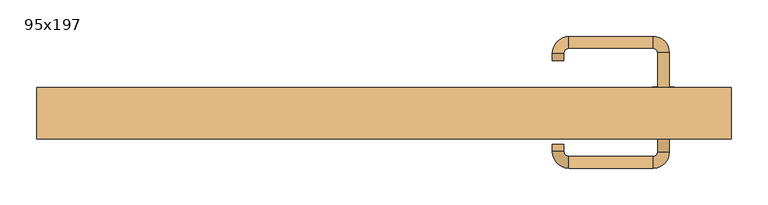
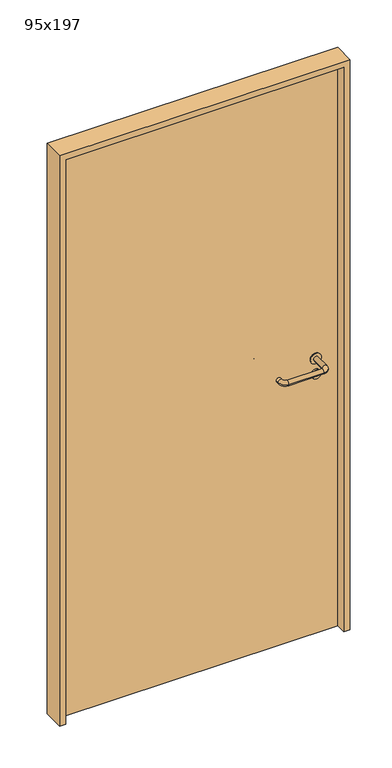
"""IFC4 building model written with IfcOpenShell, lengths in millimetres: door geometry, 95x197."""

import ifcopenshell
import ifcopenshell.guid

model = None  # the IFC model being written
_history = None  # IfcOwnerHistory: only IFC2X3 demands one
_inside = {}  # id of a spatial element -> (the spatial element, [elements in it])
_under = {}  # id of a project, library or spatial element -> (it, [spatial elements below it])
_declared = {}  # id of a project -> (the project, [libraries it declares])
_typed = {}  # id of a type object -> (the type object, [elements of that type])
_made_of = {}  # id of a material, layer set ... -> (it, [elements and type objects made of it])


def new_model(schema):
    """Start an empty IFC model of exactly this schema.

    Asked for "IFC4X3", IfcOpenShell would pick the latest addendum, in which some entities
    have other attributes; the version numbers below select the first issue.
    IFC2X3 requires an IfcOwnerHistory on every rooted entity: one is made here for all.
    """
    global model, _history
    if schema == "IFC4X3":
        model = ifcopenshell.file(schema_version=(4, 3, 0, 0))
    else:
        model = ifcopenshell.file(schema=schema)
    _inside.clear()
    _under.clear()
    _declared.clear()
    _typed.clear()
    _made_of.clear()
    _history = None
    if model.schema == "IFC2X3":
        org = make("IfcOrganization", Name="unknown")
        user = make(
            "IfcPersonAndOrganization",
            ThePerson=make("IfcPerson", FamilyName="unknown"),
            TheOrganization=org,
        )
        app = make(
            "IfcApplication",
            ApplicationDeveloper=org,
            Version="unknown",
            ApplicationFullName="unknown",
            ApplicationIdentifier="unknown",
        )
        _history = make(
            "IfcOwnerHistory",
            OwningUser=user,
            OwningApplication=app,
            ChangeAction="ADDED",
            CreationDate=0,
        )
    return model


def make(cls, **values):
    """One entity of the class cls with the attributes given. An attribute that is None is left unset."""
    return model.create_entity(
        cls, **{name: value for name, value in values.items() if value is not None}
    )


def rooted(cls, **values):
    """An entity with a GlobalId (a new one), such as an element, a storey or a relation."""
    return make(cls, GlobalId=ifcopenshell.guid.new(), OwnerHistory=_history, **values)


def si_unit(unit_type, name, prefix=None):
    """IfcSIUnit, for example si_unit("LENGTHUNIT", "METRE", prefix="MILLI")."""
    return make("IfcSIUnit", UnitType=unit_type, Prefix=prefix, Name=name)


def assignment(units):
    """IfcUnitAssignment: the units of a project."""
    return None if units is None else make("IfcUnitAssignment", Units=units)


def point(xyz):
    """IfcCartesianPoint."""
    return None if xyz is None else make("IfcCartesianPoint", Coordinates=xyz)


def direction(xyz):
    """IfcDirection."""
    return None if xyz is None else make("IfcDirection", DirectionRatios=xyz)


def frame(location, z_axis=None, x_axis=None):
    """IfcAxis2Placement3D, a coordinate frame: its origin and axes. An axis left out is left unset."""
    return make(
        "IfcAxis2Placement3D",
        Location=point(location),
        Axis=direction(z_axis),
        RefDirection=direction(x_axis),
    )


def frame_2d(location, x_axis=None):
    """IfcAxis2Placement2D, a coordinate frame in the plane: its origin and x axis."""
    return make(
        "IfcAxis2Placement2D", Location=point(location), RefDirection=direction(x_axis)
    )


def origin():
    """The frame at (0, 0, 0) with its axes left unset."""
    return frame((0.0, 0.0, 0.0))


def origin_with_axes():
    """The frame at (0, 0, 0) with the z axis (0, 0, 1) and the x axis (1, 0, 0) written out."""
    return frame((0.0, 0.0, 0.0), z_axis=(0.0, 0.0, 1.0), x_axis=(1.0, 0.0, 0.0))


def place(relative_to, where):
    """IfcLocalPlacement: puts the frame where relative to a parent placement (None: the world)."""
    return make(
        "IfcLocalPlacement", PlacementRelTo=relative_to, RelativePlacement=where
    )


def context(
    kind, dimensions, precision=None, world=None, true_north=None, identifier=None
):
    """IfcGeometricRepresentationContext, for example the 3D "Model" context."""
    return make(
        "IfcGeometricRepresentationContext",
        ContextIdentifier=identifier,
        ContextType=kind,
        CoordinateSpaceDimension=dimensions,
        Precision=precision,
        WorldCoordinateSystem=world,
        TrueNorth=true_north,
    )


def project(units=None, contexts=None):
    """IfcProject with its units and contexts."""
    return rooted(
        "IfcProject",
        Name="project",
        RepresentationContexts=contexts,
        UnitsInContext=assignment(units),
    )


def spatial(cls, under=None, at=None, **own):
    """A site, building, storey or space (cls), placed at a placement, below another one or the project."""
    s = rooted(cls, ObjectPlacement=at, **own)
    if under is not None:
        _under.setdefault(under.id(), (under, []))[1].append(s)
    return s


def polyline(points):
    """IfcPolyline through the points."""
    return make("IfcPolyline", Points=[point(p) for p in points])


def circle_curve(where, radius):
    """IfcCircle in the frame where."""
    return make("IfcCircle", Position=where, Radius=radius)


def ellipse_curve(where, semi_axis1, semi_axis2):
    """IfcEllipse in the frame where."""
    return make(
        "IfcEllipse", Position=where, SemiAxis1=semi_axis1, SemiAxis2=semi_axis2
    )


def trimmed(basis, trim1, trim2, sense, master):
    """IfcTrimmedCurve: the piece of a basis curve between two trims."""
    return make(
        "IfcTrimmedCurve",
        BasisCurve=basis,
        Trim1=trim1,
        Trim2=trim2,
        SenseAgreement=sense,
        MasterRepresentation=master,
    )


def segment(curve, same_sense, transition):
    """IfcCompositeCurveSegment."""
    return make(
        "IfcCompositeCurveSegment",
        Transition=transition,
        SameSense=same_sense,
        ParentCurve=curve,
    )


def composite_curve(segments, self_intersect=None):
    """IfcCompositeCurve: segments joined end to end."""
    return make("IfcCompositeCurve", Segments=segments, SelfIntersect=self_intersect)


def outline(outer, holes=None, kind="AREA"):
    """IfcArbitraryClosedProfileDef: a profile drawn as a closed curve; with holes, ...WithVoids."""
    if holes is None:
        return make("IfcArbitraryClosedProfileDef", ProfileType=kind, OuterCurve=outer)
    return make(
        "IfcArbitraryProfileDefWithVoids",
        ProfileType=kind,
        OuterCurve=outer,
        InnerCurves=holes,
    )


def extrude(swept, where, along, depth):
    """IfcExtrudedAreaSolid: the profile swept, set in the frame where, extruded along a direction by depth."""
    return make(
        "IfcExtrudedAreaSolid",
        SweptArea=swept,
        Position=where,
        ExtrudedDirection=direction(along),
        Depth=depth,
    )


def shape(context_of_items, identifier, shape_type, items):
    """IfcShapeRepresentation: the items that make up one representation, for example the "Body"."""
    return make(
        "IfcShapeRepresentation",
        ContextOfItems=context_of_items,
        RepresentationIdentifier=identifier,
        RepresentationType=shape_type,
        Items=items,
    )


def source(mapping_origin, context_of_items, identifier, shape_type, items):
    """IfcRepresentationMap: a shape defined once, which mapped items show again and again."""
    return make(
        "IfcRepresentationMap",
        MappingOrigin=mapping_origin,
        MappedRepresentation=shape(context_of_items, identifier, shape_type, items),
    )


def transform(
    local_origin,
    x_axis=None,
    y_axis=None,
    z_axis=None,
    scale=None,
    scale2=None,
    scale3=None,
    uniform=True,
):
    """IfcCartesianTransformationOperator3D, or its non-uniform kind. x_axis, y_axis, z_axis: its Axis1, 2, 3."""
    if uniform:
        return make(
            "IfcCartesianTransformationOperator3D",
            Axis1=direction(x_axis),
            Axis2=direction(y_axis),
            LocalOrigin=point(local_origin),
            Scale=scale,
            Axis3=direction(z_axis),
        )
    return make(
        "IfcCartesianTransformationOperator3DnonUniform",
        Axis1=direction(x_axis),
        Axis2=direction(y_axis),
        LocalOrigin=point(local_origin),
        Scale=scale,
        Axis3=direction(z_axis),
        Scale2=scale2,
        Scale3=scale3,
    )


def mapped(mapping_source, mapping_target):
    """IfcMappedItem: shows the shape of a source again, moved by a transform."""
    return make(
        "IfcMappedItem", MappingSource=mapping_source, MappingTarget=mapping_target
    )


def made_of(thing, what):
    """Note that an element or type object is made of a material, layer set ...; save() writes the relation."""
    if what is not None:
        _made_of.setdefault(what.id(), (what, []))[1].append(thing)
    return thing


def element(
    cls,
    number,
    at=None,
    inside=None,
    cuts=None,
    type_object=None,
    material=None,
    context=None,
    identifier="Body",
    shape_type=None,
    held_by="IfcProductDefinitionShape",
    body=None,
    shapes=None,
    **own,
):
    """One element of the class cls, such as IfcWall. Its Tag is "e" and its number.

    at: its placement. inside: the storey or other place that contains it. cuts: it is an
    opening in that element (IfcRelVoidsElement). A single representation is given by context,
    identifier, shape_type and body (its items); several are given by shapes. held_by: the class
    of the entity that holds the representations. save() writes the other relations.
    """
    e = rooted(cls, Tag="e%d" % number, ObjectPlacement=at, **own)
    if body is not None:
        shapes = [shape(context, identifier, shape_type, body)]
    if shapes is not None:
        e.Representation = make(held_by, Representations=shapes)
    if inside is not None:
        _inside.setdefault(inside.id(), (inside, []))[1].append(e)
    if cuts is not None:
        rooted(
            "IfcRelVoidsElement", RelatingBuildingElement=cuts, RelatedOpeningElement=e
        )
    if type_object is not None:
        _typed.setdefault(type_object.id(), (type_object, []))[1].append(e)
    return made_of(e, material)


def aggregate(whole, parts):
    """IfcRelAggregates: a whole, such as a stair, and the parts it consists of."""
    return rooted("IfcRelAggregates", RelatingObject=whole, RelatedObjects=parts)


def save(model, path):
    """Write the relations noted so far, then the file.

    IfcRelAggregates (storeys below a building ...), IfcRelContainedInSpatialStructure (elements
    in a storey), IfcRelDefinesByType, IfcRelAssociatesMaterial and IfcRelDeclares: one each for
    every whole, place, type object, material and project.
    """
    for whole, parts in _under.values():
        aggregate(whole, parts)
    for where, things in _inside.values():
        rooted(
            "IfcRelContainedInSpatialStructure",
            RelatedElements=things,
            RelatingStructure=where,
        )
    for kind, things in _typed.values():
        rooted("IfcRelDefinesByType", RelatedObjects=things, RelatingType=kind)
    for what, things in _made_of.values():
        rooted("IfcRelAssociatesMaterial", RelatedObjects=things, RelatingMaterial=what)
    for by, libraries in _declared.values():
        rooted("IfcRelDeclares", RelatingContext=by, RelatedDefinitions=libraries)
    model.write(path)


def plane_surface(at):
    """IfcPlane: the flat surface through the origin of the frame at, square to its z axis."""
    return make("IfcPlane", Position=at)


def cylinder_surface(at, radius):
    """IfcCylindricalSurface: all points at the distance radius from the z axis of the frame at."""
    return make("IfcCylindricalSurface", Position=at, Radius=radius)


def revolved_surface(curve, axis_point, axis_direction):
    """IfcSurfaceOfRevolution: the curve turned about the line through axis_point along axis_direction."""
    return make(
        "IfcSurfaceOfRevolution",
        SweptCurve=make("IfcArbitraryOpenProfileDef", ProfileType="CURVE", Curve=curve),
        AxisPosition=make("IfcAxis1Placement", Location=point(axis_point), Axis=direction(axis_direction)),
    )


def advanced_brep(points, edges, surfaces, faces):
    """IfcAdvancedBrep: a solid bounded by faces that lie on surfaces and meet in shared edges.

    An edge is (start, end): straight between two places in points (the first is 0);
    or (start, end, curve); or (start, end, curve, False) where it runs against its curve.
    A face is (place in surfaces, loops), or (place, loops, False) where it looks against
    its surface's normal. A loop lists edges by number (the first is 1), with a minus sign
    where the edge is run from its end to its start. The first loop is the outer one.
    """
    corners = [point(p) for p in points]
    vertices = [make("IfcVertexPoint", VertexGeometry=c) for c in corners]
    made = []
    for start, end, *more in edges:
        made.append(
            make(
                "IfcEdgeCurve",
                EdgeStart=vertices[start],
                EdgeEnd=vertices[end],
                EdgeGeometry=more[0] if more else make("IfcPolyline", Points=[corners[start], corners[end]]),
                SameSense=more[1] if len(more) > 1 else True,
            )
        )
    hull = []
    for where, loops, *sense in faces:
        bounds = []
        for j, loop in enumerate(loops):
            ring = [make("IfcOrientedEdge", EdgeElement=made[abs(k) - 1], Orientation=k > 0) for k in loop]
            bounds.append(
                make(
                    "IfcFaceOuterBound" if j == 0 else "IfcFaceBound",
                    Bound=make("IfcEdgeLoop", EdgeList=ring),
                    Orientation=True,
                )
            )
        hull.append(make("IfcAdvancedFace", Bounds=bounds, FaceSurface=surfaces[where], SameSense=sense[0] if sense else True))
    return make("IfcAdvancedBrep", Outer=make("IfcClosedShell", CfsFaces=hull))


def door_95x197_dfe1fab1(model_context):
    return source(origin(), model_context, "Body", "SolidModel", [
        extrude(outline(composite_curve([segment(trimmed(circle_curve(frame_2d((897.3605726, 382.0)), 15.0), [point((897.3605726, 397.0))], [point((897.3605726, 367.0))], False, "CARTESIAN"), True, "CONTINUOUS"), segment(trimmed(circle_curve(frame_2d((897.3605726, 382.0)), 15.0), [point((897.3605726, 367.0))], [point((897.3605726, 397.0))], False, "CARTESIAN"), True, "CONTINUOUS")], self_intersect=False), holes=[composite_curve([segment(trimmed(circle_curve(frame_2d((892.5833211, 381.9398032)), 2.0), [point((892.5833211, 383.9398032))], [point((892.5833211, 379.9398032))], True, "CARTESIAN"), True, "CONTINUOUS"), segment(polyline([(892.5833211, 379.9398032), (902.5833211, 379.9398032)]), True, "CONTINUOUS"), segment(trimmed(circle_curve(frame_2d((902.5833211, 381.9398032)), 2.0), [point((902.5833211, 379.9398032))], [point((902.5833211, 383.9398032))], True, "CARTESIAN"), True, "CONTINUOUS"), segment(polyline([(902.5833211, 383.9398032), (892.5833211, 383.9398032)]), True, "CONTINUOUS")], self_intersect=False)]), frame((0.0, 143.65, 0.0), z_axis=(0.0, 1.0, 0.0), x_axis=(0.0, 0.0, 1.0)), (0.0, 0.0, 1.0), 6.35),
        extrude(outline(composite_curve([segment(trimmed(circle_curve(frame_2d((950.0, 382.0)), 17.526), [point((950.0, 399.526))], [point((950.0, 364.474))], False, "CARTESIAN"), True, "CONTINUOUS"), segment(trimmed(circle_curve(frame_2d((950.0, 382.0)), 17.526), [point((950.0, 364.474))], [point((950.0, 399.526))], False, "CARTESIAN"), True, "CONTINUOUS")], self_intersect=False)), frame((0.0, 146.825, 0.0), z_axis=(0.0, 1.0, 0.0), x_axis=(0.0, 0.0, 1.0)), (0.0, 0.0, 1.0), 3.175),
        advanced_brep(
        [(390.0, 150.0, 950.0), (374.0, 150.0, 950.0), (374.0, 97.0, 950.0), (390.0, 97.0, 950.0), (367.8578644, 90.8578644, 950.0), (367.8578644, 74.8578644, 950.0), (252.8578644, 90.8578644, 950.0), (252.8578644, 74.8578644, 950.0), (246.008622, 97.7071068, 950.0), (230.008622, 97.7071068, 950.0), (230.008622, 107.7071068, 950.0), (246.008622, 107.7071068, 950.0)],
        [
            (0, 1, circle_curve(frame((382.0, 150.0, 950.0), z_axis=(0.0, 1.0, 0.0), x_axis=(-1.0, 0.0, 0.0)), 8.0)),
            (1, 0, circle_curve(frame((382.0, 150.0, 950.0), z_axis=(0.0, 1.0, 0.0), x_axis=(-1.0, 0.0, 0.0)), 8.0)),
            (1, 2),
            (2, 3, circle_curve(frame((382.0, 97.0, 950.0), z_axis=(0.0, 1.0, 0.0), x_axis=(-1.0, 0.0, 0.0)), 8.0)),
            (3, 0),
            (3, 2, circle_curve(frame((382.0, 97.0, 950.0), z_axis=(0.0, 1.0, 0.0), x_axis=(-1.0, 0.0, 0.0)), 8.0)),
            (4, 5, circle_curve(frame((367.8578644, 82.8578644, 950.0), z_axis=(1.0, 0.0, 0.0), x_axis=(0.0, 1.0, 0.0)), 8.0)),
            (5, 3, circle_curve(frame((367.8578644, 97.0, 950.0), z_axis=(0.0, 0.0, 1.0), x_axis=(1.0, 0.0, 0.0)), 22.1421356)),
            (2, 4, circle_curve(frame((367.8578644, 97.0, 950.0), z_axis=(0.0, 0.0, -1.0), x_axis=(1.0, 0.0, 0.0)), 6.1421356)),
            (5, 4, circle_curve(frame((367.8578644, 82.8578644, 950.0), z_axis=(1.0, 0.0, 0.0), x_axis=(0.0, 1.0, 0.0)), 8.0)),
            (4, 6),
            (6, 7, circle_curve(frame((252.8578644, 82.8578644, 950.0), z_axis=(1.0, 0.0, 0.0), x_axis=(0.0, 1.0, 0.0)), 8.0)),
            (7, 5),
            (7, 6, circle_curve(frame((252.8578644, 82.8578644, 950.0), z_axis=(1.0, 0.0, 0.0), x_axis=(0.0, 1.0, 0.0)), 8.0)),
            (8, 9, circle_curve(frame((238.008622, 97.7071068, 950.0), z_axis=(0.0, -1.0, 0.0), x_axis=(1.0, 0.0, 0.0)), 8.0)),
            (9, 7, circle_curve(frame((252.8578644, 97.7071068, 950.0), z_axis=(0.0, 0.0, 1.0), x_axis=(0.0, -1.0, 0.0)), 22.8492424)),
            (6, 8, circle_curve(frame((252.8578644, 97.7071068, 950.0), z_axis=(0.0, 0.0, -1.0), x_axis=(0.0, -1.0, 0.0)), 6.8492424)),
            (9, 8, circle_curve(frame((238.008622, 97.7071068, 950.0), z_axis=(0.0, -1.0, 0.0), x_axis=(1.0, 0.0, 0.0)), 8.0)),
            (10, 11, circle_curve(frame((238.008622, 107.7071068, 950.0), z_axis=(0.0, 1.0, 0.0), x_axis=(1.0, 0.0, 0.0)), 8.0)),
            (11, 10, circle_curve(frame((238.008622, 107.7071068, 950.0), z_axis=(0.0, 1.0, 0.0), x_axis=(1.0, 0.0, 0.0)), 8.0)),
            (8, 11),
            (10, 9),
        ],
        [
            plane_surface(frame((382.0, 150.0, 0.0), z_axis=(0.0, 1.0, 0.0), x_axis=(0.0, 0.0, 1.0))),
            cylinder_surface(frame((382.0, 150.0, 950.0), z_axis=(0.0, 1.0, 0.0), x_axis=(-1.0, 0.0, 0.0)), 8.0),
            revolved_surface(trimmed(ellipse_curve(frame((382.0, 97.0, 950.0), z_axis=(0.0, -1.0, 0.0), x_axis=(-1.0, 0.0, 0.0)), 8.0, 8.0), [point((390.0, 97.0, 950.0))], [point((374.0, 97.0, 950.0))], True, "CARTESIAN"), (367.8578644, 97.0, 0.0), (0.0, 0.0, 1.0)),
            revolved_surface(trimmed(ellipse_curve(frame((382.0, 97.0, 950.0), z_axis=(0.0, -1.0, 0.0), x_axis=(-1.0, 0.0, 0.0)), 8.0, 8.0), [point((374.0, 97.0, 950.0))], [point((390.0, 97.0, 950.0))], True, "CARTESIAN"), (367.8578644, 97.0, 0.0), (0.0, 0.0, 1.0)),
            cylinder_surface(frame((367.8578644, 82.8578644, 950.0), z_axis=(1.0, 0.0, 0.0), x_axis=(0.0, 1.0, 0.0)), 8.0),
            revolved_surface(trimmed(ellipse_curve(frame((252.8578644, 82.8578644, 950.0), z_axis=(-1.0, 0.0, 0.0), x_axis=(0.0, 1.0, 0.0)), 8.0, 8.0), [point((252.8578644, 74.8578644, 950.0))], [point((252.8578644, 90.8578644, 950.0))], True, "CARTESIAN"), (252.8578644, 97.7071068, 0.0), (0.0, 0.0, 1.0)),
            revolved_surface(trimmed(ellipse_curve(frame((252.8578644, 82.8578644, 950.0), z_axis=(-1.0, 0.0, 0.0), x_axis=(0.0, 1.0, 0.0)), 8.0, 8.0), [point((252.8578644, 90.8578644, 950.0))], [point((252.8578644, 74.8578644, 950.0))], True, "CARTESIAN"), (252.8578644, 97.7071068, 0.0), (0.0, 0.0, 1.0)),
            plane_surface(frame((238.008622, 107.7071068, 0.0), z_axis=(0.0, 1.0, 0.0), x_axis=(0.0, 0.0, 1.0))),
            cylinder_surface(frame((238.008622, 97.7071068, 950.0), z_axis=(0.0, -1.0, 0.0), x_axis=(1.0, 0.0, 0.0)), 8.0),
        ],
        [
            (0, [[1, 2]]),
            (1, [[3, 4, 5, -2]]),
            (1, [[-5, 6, -3, -1]]),
            (2, [[7, 8, -4, 9]]),
            (3, [[10, -9, -6, -8]]),
            (4, [[11, 12, 13, -7]]),
            (4, [[-13, 14, -11, -10]]),
            (5, [[15, 16, -12, 17]]),
            (6, [[18, -17, -14, -16]]),
            (7, [[19, 20]]),
            (8, [[21, -19, 22, -15]]),
            (8, [[-22, -20, -21, -18]]),
        ],
    ),
        extrude(outline(composite_curve([segment(trimmed(circle_curve(frame_2d((0.0, -15.0)), 15.0), [point((0.0, -30.0))], [point((0.0, 0.0))], False, "CARTESIAN"), True, "CONTINUOUS"), segment(trimmed(circle_curve(frame_2d((0.0, -15.0)), 15.0), [point((0.0, 0.0))], [point((0.0, -30.0))], False, "CARTESIAN"), True, "CONTINUOUS")], self_intersect=False), holes=[composite_curve([segment(trimmed(circle_curve(frame_2d((4.7772515, -14.9398032)), 2.0), [point((4.7772515, -16.9398032))], [point((4.7772515, -12.9398032))], True, "CARTESIAN"), True, "CONTINUOUS"), segment(polyline([(4.7772515, -12.9398032), (-5.2227485, -12.9398032)]), True, "CONTINUOUS"), segment(trimmed(circle_curve(frame_2d((-5.2227485, -14.9398032)), 2.0), [point((-5.2227485, -12.9398032))], [point((-5.2227485, -16.9398032))], True, "CARTESIAN"), True, "CONTINUOUS"), segment(polyline([(-5.2227485, -16.9398032), (4.7772515, -16.9398032)]), True, "CONTINUOUS")], self_intersect=False)]), frame((367.0, 180.0, 897.3605726), z_axis=(1.8870575173328306e-12, 1.0, 0.0), x_axis=(0.0, 0.0, -1.0)), (0.0, 0.0, 1.0), 6.35),
        extrude(outline(composite_curve([segment(trimmed(circle_curve(frame_2d((0.0, -17.526)), 17.526), [point((0.0, -35.052))], [point((0.0, 0.0))], False, "CARTESIAN"), True, "CONTINUOUS"), segment(trimmed(circle_curve(frame_2d((0.0, -17.526)), 17.526), [point((0.0, 0.0))], [point((0.0, -35.052))], False, "CARTESIAN"), True, "CONTINUOUS")], self_intersect=False)), frame((364.474, 180.0, 950.0), z_axis=(1.8870575173328306e-12, 1.0, 0.0), x_axis=(0.0, 0.0, -1.0)), (0.0, 0.0, 1.0), 3.175),
        advanced_brep(
        [(390.0, 180.0, 950.0), (374.0, 180.0, 950.0), (390.0, 233.0, 950.0), (374.0, 233.0, 950.0), (367.8578644, 239.1421356, 950.0), (367.8578644, 255.1421356, 950.0), (252.8578644, 255.1421356, 950.0), (252.8578644, 239.1421356, 950.0), (246.008622, 232.2928932, 950.0), (230.008622, 232.2928932, 950.0), (230.008622, 222.2928932, 950.0), (246.008622, 222.2928932, 950.0)],
        [
            (0, 1, circle_curve(frame((382.0, 180.0, 950.0), z_axis=(-1.888672253512351e-12, -1.0, 0.0), x_axis=(-1.0, 1.888672253512351e-12, 0.0)), 8.0)),
            (1, 0, circle_curve(frame((382.0, 180.0, 950.0), z_axis=(-1.888672253512351e-12, -1.0, 0.0), x_axis=(-1.0, 1.888672253512351e-12, 0.0)), 8.0)),
            (0, 2),
            (2, 3, circle_curve(frame((382.0, 233.0, 950.0), z_axis=(-1.888672253512351e-12, -1.0, 0.0), x_axis=(-1.0, 1.888672253512351e-12, 0.0)), 8.0)),
            (3, 1),
            (3, 2, circle_curve(frame((382.0, 233.0, 950.0), z_axis=(-1.888672253512351e-12, -1.0, 0.0), x_axis=(-1.0, 1.888672253512351e-12, 0.0)), 8.0)),
            (4, 3, circle_curve(frame((367.8578644, 233.0, 950.0), z_axis=(0.0, 0.0, -1.0), x_axis=(1.0, -1.880717803715015e-12, 0.0)), 6.1421356)),
            (2, 5, circle_curve(frame((367.8578644, 233.0, 950.0), z_axis=(0.0, 0.0, 1.0), x_axis=(1.0, -1.880717803715015e-12, 0.0)), 22.1421356)),
            (5, 4, circle_curve(frame((367.8578644, 247.1421356, 950.0), z_axis=(1.0, -1.913702061528922e-12, 0.0), x_axis=(-1.913702061528922e-12, -1.0, 0.0)), 8.0)),
            (4, 5, circle_curve(frame((367.8578644, 247.1421356, 950.0), z_axis=(1.0, -1.913702061528922e-12, 0.0), x_axis=(-1.913702061528922e-12, -1.0, 0.0)), 8.0)),
            (5, 6),
            (6, 7, circle_curve(frame((252.8578644, 247.1421356, 950.0), z_axis=(1.0, -1.913719828541269e-12, 0.0), x_axis=(-1.913719828541269e-12, -1.0, 0.0)), 8.0)),
            (7, 4),
            (7, 6, circle_curve(frame((252.8578644, 247.1421356, 950.0), z_axis=(1.0, -1.913719828541269e-12, 0.0), x_axis=(-1.913719828541269e-12, -1.0, 0.0)), 8.0)),
            (8, 7, circle_curve(frame((252.8578644, 232.2928932, 950.0), z_axis=(0.0, 0.0, -1.0), x_axis=(1.9120873253494017e-12, 1.0, 0.0)), 6.8492424)),
            (6, 9, circle_curve(frame((252.8578644, 232.2928932, 950.0), z_axis=(0.0, 0.0, 1.0), x_axis=(1.9120873253494017e-12, 1.0, 0.0)), 22.8492424)),
            (9, 8, circle_curve(frame((238.008622, 232.2928932, 950.0), z_axis=(1.890448610351751e-12, 1.0, 0.0), x_axis=(1.0, -1.890448610351751e-12, 0.0)), 8.0)),
            (8, 9, circle_curve(frame((238.008622, 232.2928932, 950.0), z_axis=(1.8888942981172756e-12, 1.0, 0.0), x_axis=(1.0, -1.8888942981172756e-12, 0.0)), 8.0)),
            (10, 11, circle_curve(frame((238.008622, 222.2928932, 950.0), z_axis=(-1.8903642334018795e-12, -1.0, 0.0), x_axis=(1.0, -1.8903642334018795e-12, 0.0)), 8.0)),
            (11, 10, circle_curve(frame((238.008622, 222.2928932, 950.0), z_axis=(-1.8903642334018795e-12, -1.0, 0.0), x_axis=(1.0, -1.8903642334018795e-12, 0.0)), 8.0)),
            (9, 10),
            (11, 8),
        ],
        [
            plane_surface(frame((382.0, 180.0, 0.0), z_axis=(-1.8870575173328306e-12, -1.0, 0.0), x_axis=(0.0, 0.0, 1.0))),
            cylinder_surface(frame((382.0, 180.0, 950.0), z_axis=(-1.888672253512351e-12, -1.0, 0.0), x_axis=(-1.0, 1.888672253512351e-12, 0.0)), 8.0),
            revolved_surface(trimmed(ellipse_curve(frame((382.0, 233.0, 950.0), z_axis=(-1.8823325398945356e-12, -1.0, 0.0), x_axis=(-1.0, 1.8823325398945356e-12, 0.0)), 8.0, 8.0), [point((390.0, 233.0, 950.0))], [point((374.0, 233.0, 950.0))], True, "CARTESIAN"), (367.8578644, 233.0, 0.0), (0.0, 0.0, 1.0)),
            revolved_surface(trimmed(ellipse_curve(frame((382.0, 233.0, 950.0), z_axis=(-1.8823325398945356e-12, -1.0, 0.0), x_axis=(-1.0, 1.8823325398945356e-12, 0.0)), 8.0, 8.0), [point((374.0, 233.0, 950.0))], [point((390.0, 233.0, 950.0))], True, "CARTESIAN"), (367.8578644, 233.0, 0.0), (0.0, 0.0, 1.0)),
            cylinder_surface(frame((367.8578644, 247.1421356, 950.0), z_axis=(1.0, -1.913719828541269e-12, 0.0), x_axis=(-1.913719828541269e-12, -1.0, 0.0)), 8.0),
            revolved_surface(trimmed(ellipse_curve(frame((252.8578644, 247.1421356, 950.0), z_axis=(1.0, -1.913702061528922e-12, 0.0), x_axis=(-1.913702061528922e-12, -1.0, 0.0)), 8.0, 8.0), [point((252.8578644, 255.1421356, 950.0))], [point((252.8578644, 239.1421356, 950.0))], True, "CARTESIAN"), (252.8578644, 232.2928932, 0.0), (0.0, 0.0, 1.0)),
            revolved_surface(trimmed(ellipse_curve(frame((252.8578644, 247.1421356, 950.0), z_axis=(1.0, -1.913702061528922e-12, 0.0), x_axis=(-1.913702061528922e-12, -1.0, 0.0)), 8.0, 8.0), [point((252.8578644, 239.1421356, 950.0))], [point((252.8578644, 255.1421356, 950.0))], True, "CARTESIAN"), (252.8578644, 232.2928932, 0.0), (0.0, 0.0, 1.0)),
            plane_surface(frame((238.008622, 222.2928932, 0.0), z_axis=(-1.8887494972223595e-12, -1.0, 0.0), x_axis=(0.0, 0.0, 1.0))),
            cylinder_surface(frame((238.008622, 232.2928932, 950.0), z_axis=(1.8903642334018795e-12, 1.0, 0.0), x_axis=(1.0, -1.8903642334018795e-12, 0.0)), 8.0),
        ],
        [
            (0, [[1, 2]]),
            (1, [[-1, 3, 4, 5]]),
            (1, [[-2, -5, 6, -3]]),
            (2, [[7, -4, 8, 9]]),
            (3, [[-8, -6, -7, 10]]),
            (4, [[-9, 11, 12, 13]]),
            (4, [[-10, -13, 14, -11]]),
            (5, [[15, -12, 16, 17]]),
            (6, [[-16, -14, -15, 18]]),
            (7, [[19, 20]]),
            (8, [[-17, 21, -20, 22]]),
            (8, [[-18, -22, -19, -21]]),
        ],
    ),
        extrude(outline(polyline([(1950.0, 455.0), (0.0, 455.0), (0.0, 475.0), (1970.0, 475.0), (1970.0, -475.0), (0.0, -475.0), (0.0, -455.0), (1950.0, -455.0), (1950.0, 455.0)])), frame((0.0, 115.0, 0.0), z_axis=(0.0, 1.0, 0.0), x_axis=(0.0, 0.0, 1.0)), (0.0, 0.0, 1.0), 70.0),
        extrude(outline(polyline([(-455.0, 180.0), (455.0, 180.0), (455.0, 150.0), (-455.0, 150.0), (-455.0, 180.0)])), origin_with_axes(), (0.0, 0.0, 1.0), 1950.0),
    ])


if __name__ == "__main__":
    model = new_model("IFC4")
    model_context = context("Model", 3, world=origin())
    ifc_project = project(units=[si_unit("LENGTHUNIT", "METRE", prefix="MILLI")], contexts=[model_context])
    site = spatial("IfcSite", under=ifc_project)
    building = spatial("IfcBuilding", under=site)
    placement = place(None, origin())
    door_95x197_shape = door_95x197_dfe1fab1(model_context)
    element("IfcDoor", 1, ObjectType="95x197", at=placement, inside=building, context=model_context, shape_type="MappedRepresentation", body=[
        mapped(door_95x197_shape, transform((0.0, 0.0, 0.0), x_axis=(1.0, 0.0, 0.0), y_axis=(0.0, 1.0, 0.0), z_axis=(0.0, 0.0, 1.0))),
    ])
    save(model, "model.ifc")
